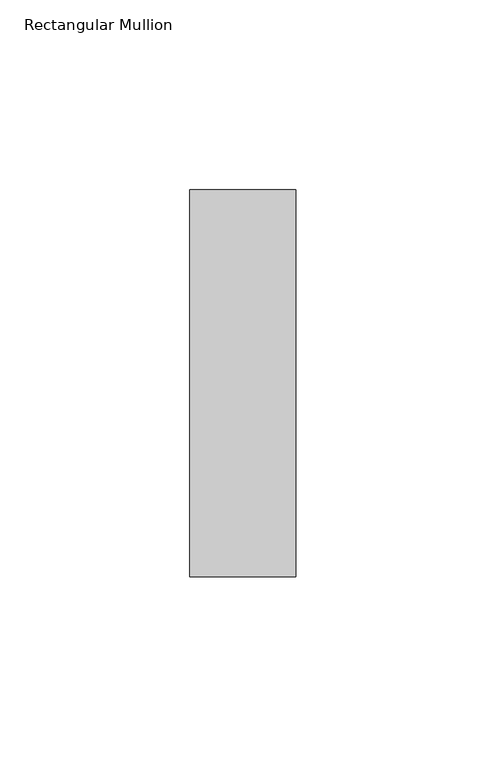
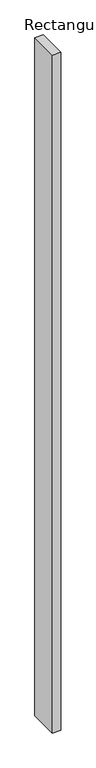
"""IFC4 building model written with IfcOpenShell, lengths in millimetres: member geometry, Rectangular Mullion."""

from ifc_helpers import new_model, si_unit, frame, origin, place, context, project, spatial, polyline, outline, extrude, source, transform, mapped, element, save


def rectangular_mullion_c1f4861b(model_context):
    return source(origin(), model_context, "Body", "SweptSolid", [
        extrude(outline(polyline([(0.0, -51.0), (-28.0, -51.0), (-28.0, 51.0), (0.0, 51.0), (0.0, -51.0)])), frame((0.0, 0.0, -2400.0), z_axis=(0.0, 0.0, 1.0), x_axis=(1.0, 0.0, 0.0)), (0.0, 0.0, 1.0), 2400.0),
    ])


if __name__ == "__main__":
    model = new_model("IFC4")
    model_context = context("Model", 3, world=origin())
    ifc_project = project(units=[si_unit("LENGTHUNIT", "METRE", prefix="MILLI")], contexts=[model_context])
    site = spatial("IfcSite", under=ifc_project)
    building = spatial("IfcBuilding", under=site)
    placement = place(None, origin())
    rectangular_mullion_shape = rectangular_mullion_c1f4861b(model_context)
    element("IfcMember", 1, ObjectType="Rectangular Mullion", at=placement, inside=building, context=model_context, shape_type="MappedRepresentation", body=[
        mapped(rectangular_mullion_shape, transform((0.0, 0.0, 0.0), x_axis=(1.0, 0.0, 0.0), y_axis=(0.0, 1.0, 0.0), z_axis=(0.0, 0.0, 1.0))),
    ])
    save(model, "model.ifc")
